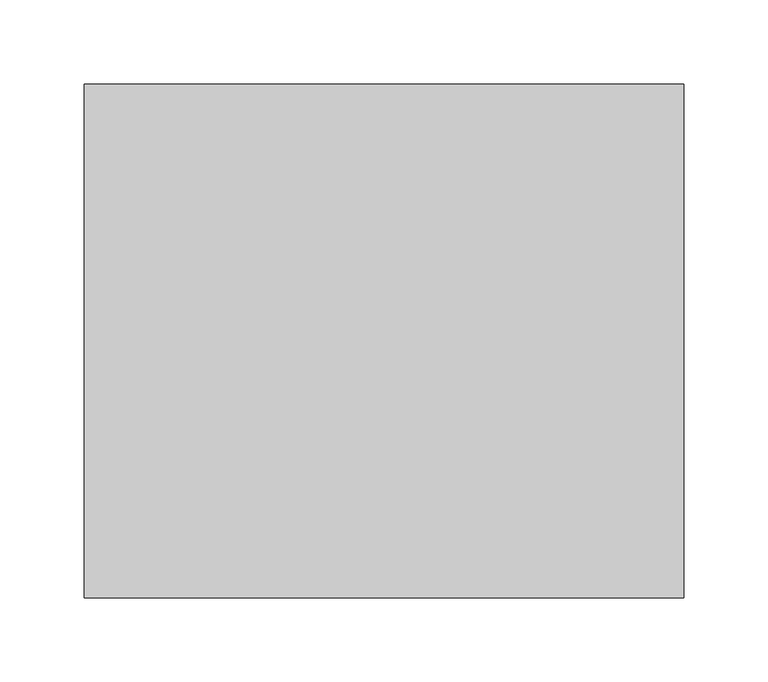
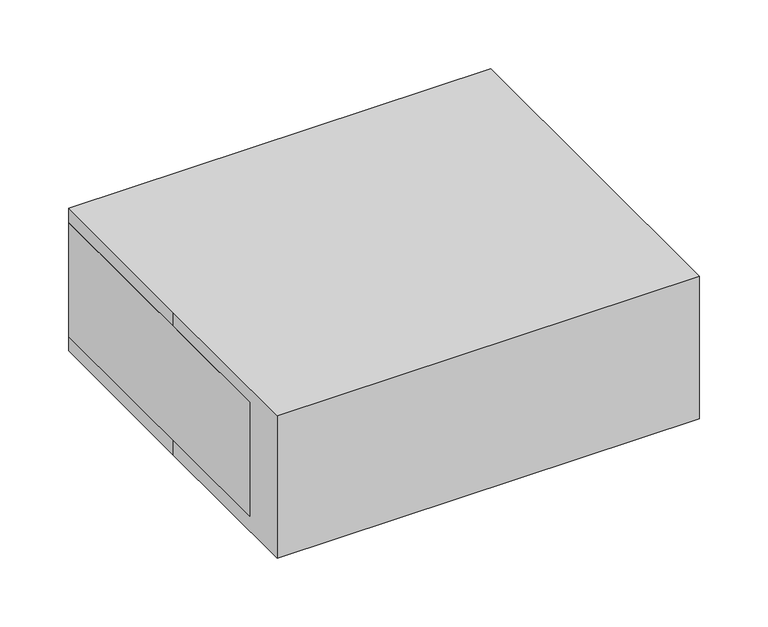
"""IFC4 building model written with IfcOpenShell, lengths in millimetres: proxy geometry."""

import ifcopenshell
import ifcopenshell.guid

model = None  # the IFC model being written
_history = None  # IfcOwnerHistory: only IFC2X3 demands one
_inside = {}  # id of a spatial element -> (the spatial element, [elements in it])
_under = {}  # id of a project, library or spatial element -> (it, [spatial elements below it])
_declared = {}  # id of a project -> (the project, [libraries it declares])
_typed = {}  # id of a type object -> (the type object, [elements of that type])
_made_of = {}  # id of a material, layer set ... -> (it, [elements and type objects made of it])


def new_model(schema):
    """Start an empty IFC model of exactly this schema.

    Asked for "IFC4X3", IfcOpenShell would pick the latest addendum, in which some entities
    have other attributes; the version numbers below select the first issue.
    IFC2X3 requires an IfcOwnerHistory on every rooted entity: one is made here for all.
    """
    global model, _history
    if schema == "IFC4X3":
        model = ifcopenshell.file(schema_version=(4, 3, 0, 0))
    else:
        model = ifcopenshell.file(schema=schema)
    _inside.clear()
    _under.clear()
    _declared.clear()
    _typed.clear()
    _made_of.clear()
    _history = None
    if model.schema == "IFC2X3":
        org = make("IfcOrganization", Name="unknown")
        user = make(
            "IfcPersonAndOrganization",
            ThePerson=make("IfcPerson", FamilyName="unknown"),
            TheOrganization=org,
        )
        app = make(
            "IfcApplication",
            ApplicationDeveloper=org,
            Version="unknown",
            ApplicationFullName="unknown",
            ApplicationIdentifier="unknown",
        )
        _history = make(
            "IfcOwnerHistory",
            OwningUser=user,
            OwningApplication=app,
            ChangeAction="ADDED",
            CreationDate=0,
        )
    return model


def make(cls, **values):
    """One entity of the class cls with the attributes given. An attribute that is None is left unset."""
    return model.create_entity(
        cls, **{name: value for name, value in values.items() if value is not None}
    )


def rooted(cls, **values):
    """An entity with a GlobalId (a new one), such as an element, a storey or a relation."""
    return make(cls, GlobalId=ifcopenshell.guid.new(), OwnerHistory=_history, **values)


def si_unit(unit_type, name, prefix=None):
    """IfcSIUnit, for example si_unit("LENGTHUNIT", "METRE", prefix="MILLI")."""
    return make("IfcSIUnit", UnitType=unit_type, Prefix=prefix, Name=name)


def assignment(units):
    """IfcUnitAssignment: the units of a project."""
    return None if units is None else make("IfcUnitAssignment", Units=units)


def point(xyz):
    """IfcCartesianPoint."""
    return None if xyz is None else make("IfcCartesianPoint", Coordinates=xyz)


def direction(xyz):
    """IfcDirection."""
    return None if xyz is None else make("IfcDirection", DirectionRatios=xyz)


def frame(location, z_axis=None, x_axis=None):
    """IfcAxis2Placement3D, a coordinate frame: its origin and axes. An axis left out is left unset."""
    return make(
        "IfcAxis2Placement3D",
        Location=point(location),
        Axis=direction(z_axis),
        RefDirection=direction(x_axis),
    )


def frame_2d(location, x_axis=None):
    """IfcAxis2Placement2D, a coordinate frame in the plane: its origin and x axis."""
    return make(
        "IfcAxis2Placement2D", Location=point(location), RefDirection=direction(x_axis)
    )


def origin():
    """The frame at (0, 0, 0) with its axes left unset."""
    return frame((0.0, 0.0, 0.0))


def origin_with_axes():
    """The frame at (0, 0, 0) with the z axis (0, 0, 1) and the x axis (1, 0, 0) written out."""
    return frame((0.0, 0.0, 0.0), z_axis=(0.0, 0.0, 1.0), x_axis=(1.0, 0.0, 0.0))


def place(relative_to, where):
    """IfcLocalPlacement: puts the frame where relative to a parent placement (None: the world)."""
    return make(
        "IfcLocalPlacement", PlacementRelTo=relative_to, RelativePlacement=where
    )


def context(
    kind, dimensions, precision=None, world=None, true_north=None, identifier=None
):
    """IfcGeometricRepresentationContext, for example the 3D "Model" context."""
    return make(
        "IfcGeometricRepresentationContext",
        ContextIdentifier=identifier,
        ContextType=kind,
        CoordinateSpaceDimension=dimensions,
        Precision=precision,
        WorldCoordinateSystem=world,
        TrueNorth=true_north,
    )


def project(units=None, contexts=None):
    """IfcProject with its units and contexts."""
    return rooted(
        "IfcProject",
        Name="project",
        RepresentationContexts=contexts,
        UnitsInContext=assignment(units),
    )


def spatial(cls, under=None, at=None, **own):
    """A site, building, storey or space (cls), placed at a placement, below another one or the project."""
    s = rooted(cls, ObjectPlacement=at, **own)
    if under is not None:
        _under.setdefault(under.id(), (under, []))[1].append(s)
    return s


def polyline(points):
    """IfcPolyline through the points."""
    return make("IfcPolyline", Points=[point(p) for p in points])


def circle_curve(where, radius):
    """IfcCircle in the frame where."""
    return make("IfcCircle", Position=where, Radius=radius)


def trimmed(basis, trim1, trim2, sense, master):
    """IfcTrimmedCurve: the piece of a basis curve between two trims."""
    return make(
        "IfcTrimmedCurve",
        BasisCurve=basis,
        Trim1=trim1,
        Trim2=trim2,
        SenseAgreement=sense,
        MasterRepresentation=master,
    )


def segment(curve, same_sense, transition):
    """IfcCompositeCurveSegment."""
    return make(
        "IfcCompositeCurveSegment",
        Transition=transition,
        SameSense=same_sense,
        ParentCurve=curve,
    )


def composite_curve(segments, self_intersect=None):
    """IfcCompositeCurve: segments joined end to end."""
    return make("IfcCompositeCurve", Segments=segments, SelfIntersect=self_intersect)


def outline(outer, holes=None, kind="AREA"):
    """IfcArbitraryClosedProfileDef: a profile drawn as a closed curve; with holes, ...WithVoids."""
    if holes is None:
        return make("IfcArbitraryClosedProfileDef", ProfileType=kind, OuterCurve=outer)
    return make(
        "IfcArbitraryProfileDefWithVoids",
        ProfileType=kind,
        OuterCurve=outer,
        InnerCurves=holes,
    )


def extrude(swept, where, along, depth):
    """IfcExtrudedAreaSolid: the profile swept, set in the frame where, extruded along a direction by depth."""
    return make(
        "IfcExtrudedAreaSolid",
        SweptArea=swept,
        Position=where,
        ExtrudedDirection=direction(along),
        Depth=depth,
    )


def shape(context_of_items, identifier, shape_type, items):
    """IfcShapeRepresentation: the items that make up one representation, for example the "Body"."""
    return make(
        "IfcShapeRepresentation",
        ContextOfItems=context_of_items,
        RepresentationIdentifier=identifier,
        RepresentationType=shape_type,
        Items=items,
    )


def source(mapping_origin, context_of_items, identifier, shape_type, items):
    """IfcRepresentationMap: a shape defined once, which mapped items show again and again."""
    return make(
        "IfcRepresentationMap",
        MappingOrigin=mapping_origin,
        MappedRepresentation=shape(context_of_items, identifier, shape_type, items),
    )


def transform(
    local_origin,
    x_axis=None,
    y_axis=None,
    z_axis=None,
    scale=None,
    scale2=None,
    scale3=None,
    uniform=True,
):
    """IfcCartesianTransformationOperator3D, or its non-uniform kind. x_axis, y_axis, z_axis: its Axis1, 2, 3."""
    if uniform:
        return make(
            "IfcCartesianTransformationOperator3D",
            Axis1=direction(x_axis),
            Axis2=direction(y_axis),
            LocalOrigin=point(local_origin),
            Scale=scale,
            Axis3=direction(z_axis),
        )
    return make(
        "IfcCartesianTransformationOperator3DnonUniform",
        Axis1=direction(x_axis),
        Axis2=direction(y_axis),
        LocalOrigin=point(local_origin),
        Scale=scale,
        Axis3=direction(z_axis),
        Scale2=scale2,
        Scale3=scale3,
    )


def mapped(mapping_source, mapping_target):
    """IfcMappedItem: shows the shape of a source again, moved by a transform."""
    return make(
        "IfcMappedItem", MappingSource=mapping_source, MappingTarget=mapping_target
    )


def made_of(thing, what):
    """Note that an element or type object is made of a material, layer set ...; save() writes the relation."""
    if what is not None:
        _made_of.setdefault(what.id(), (what, []))[1].append(thing)
    return thing


def element(
    cls,
    number,
    at=None,
    inside=None,
    cuts=None,
    type_object=None,
    material=None,
    context=None,
    identifier="Body",
    shape_type=None,
    held_by="IfcProductDefinitionShape",
    body=None,
    shapes=None,
    **own,
):
    """One element of the class cls, such as IfcWall. Its Tag is "e" and its number.

    at: its placement. inside: the storey or other place that contains it. cuts: it is an
    opening in that element (IfcRelVoidsElement). A single representation is given by context,
    identifier, shape_type and body (its items); several are given by shapes. held_by: the class
    of the entity that holds the representations. save() writes the other relations.
    """
    e = rooted(cls, Tag="e%d" % number, ObjectPlacement=at, **own)
    if body is not None:
        shapes = [shape(context, identifier, shape_type, body)]
    if shapes is not None:
        e.Representation = make(held_by, Representations=shapes)
    if inside is not None:
        _inside.setdefault(inside.id(), (inside, []))[1].append(e)
    if cuts is not None:
        rooted(
            "IfcRelVoidsElement", RelatingBuildingElement=cuts, RelatedOpeningElement=e
        )
    if type_object is not None:
        _typed.setdefault(type_object.id(), (type_object, []))[1].append(e)
    return made_of(e, material)


def aggregate(whole, parts):
    """IfcRelAggregates: a whole, such as a stair, and the parts it consists of."""
    return rooted("IfcRelAggregates", RelatingObject=whole, RelatedObjects=parts)


def save(model, path):
    """Write the relations noted so far, then the file.

    IfcRelAggregates (storeys below a building ...), IfcRelContainedInSpatialStructure (elements
    in a storey), IfcRelDefinesByType, IfcRelAssociatesMaterial and IfcRelDeclares: one each for
    every whole, place, type object, material and project.
    """
    for whole, parts in _under.values():
        aggregate(whole, parts)
    for where, things in _inside.values():
        rooted(
            "IfcRelContainedInSpatialStructure",
            RelatedElements=things,
            RelatingStructure=where,
        )
    for kind, things in _typed.values():
        rooted("IfcRelDefinesByType", RelatedObjects=things, RelatingType=kind)
    for what, things in _made_of.values():
        rooted("IfcRelAssociatesMaterial", RelatedObjects=things, RelatingMaterial=what)
    for by, libraries in _declared.values():
        rooted("IfcRelDeclares", RelatingContext=by, RelatedDefinitions=libraries)
    model.write(path)


def specialty_equipment_4bd9d96e(model_context):
    return source(origin(), model_context, "Body", "SweptSolid", [
        extrude(outline(polyline([(142.2096017, -124.4389004), (97.7596017, -124.4389004), (97.7596017, -111.7389004), (142.2096017, -111.7389004), (142.2096017, -124.4389004)])), frame((0.0, 0.0, 40.6305658), z_axis=(0.0, 0.0, 1.0), x_axis=(1.0, 0.0, 0.0)), (0.0, 0.0, 1.0), 25.4),
        extrude(outline(polyline([(66.0096017, -124.4389004), (21.5596017, -124.4389004), (21.5596017, -111.7389004), (66.0096017, -111.7389004), (66.0096017, -124.4389004)])), frame((0.0, 0.0, 40.6305658), z_axis=(0.0, 0.0, 1.0), x_axis=(1.0, 0.0, 0.0)), (0.0, 0.0, 1.0), 25.4),
        extrude(outline(polyline([(122.6611094, -124.4389004), (52.8111094, -124.4389004), (52.8111094, -111.7389004), (122.6611094, -111.7389004), (122.6611094, -124.4389004)])), frame((0.0, 0.0, 87.4668281), z_axis=(0.0, 0.0, 1.0), x_axis=(1.0, 0.0, 0.0)), (0.0, 0.0, 1.0), 12.7),
        extrude(outline(composite_curve([segment(trimmed(circle_curve(frame_2d((69.3961128, -46.7129229)), 6.35), [point((69.3961128, -53.0629229))], [point((69.3961128, -40.3629229))], False, "CARTESIAN"), True, "CONTINUOUS"), segment(trimmed(circle_curve(frame_2d((69.3961128, -46.7129229)), 6.35), [point((69.3961128, -40.3629229))], [point((69.3961128, -53.0629229))], False, "CARTESIAN"), True, "CONTINUOUS")], self_intersect=False)), frame((0.0, -124.4389004, 0.0), z_axis=(0.0, 1.0, 0.0), x_axis=(0.0, 0.0, 1.0)), (0.0, 0.0, 1.0), 12.7),
        extrude(outline(composite_curve([segment(trimmed(circle_curve(frame_2d((67.9537355, -104.8888066)), 19.05), [point((67.9537355, -123.9388066))], [point((67.9537355, -85.8388066))], False, "CARTESIAN"), True, "CONTINUOUS"), segment(trimmed(circle_curve(frame_2d((67.9537355, -104.8888066)), 19.05), [point((67.9537355, -85.8388066))], [point((67.9537355, -123.9388066))], False, "CARTESIAN"), True, "CONTINUOUS")], self_intersect=False)), frame((0.0, -137.1389004, 0.0), z_axis=(0.0, 1.0, 0.0), x_axis=(0.0, 0.0, 1.0)), (0.0, 0.0, 1.0), 25.4),
        extrude(outline(composite_curve([segment(trimmed(circle_curve(frame_2d((137.9995251, -74.3090998)), 12.7), [point((150.6995251, -74.3090998))], [point((125.2995251, -74.3090998))], False, "CARTESIAN"), True, "CONTINUOUS"), segment(trimmed(circle_curve(frame_2d((137.9995251, -74.3090998)), 12.7), [point((125.2995251, -74.3090998))], [point((150.6995251, -74.3090998))], False, "CARTESIAN"), True, "CONTINUOUS")], self_intersect=False)), origin_with_axes(), (0.0, 0.0, 1.0), 12.7),
        extrude(outline(composite_curve([segment(trimmed(circle_curve(frame_2d((137.9995251, 116.1909002)), 12.7), [point((150.6995251, 116.1909002))], [point((125.2995251, 116.1909002))], False, "CARTESIAN"), True, "CONTINUOUS"), segment(trimmed(circle_curve(frame_2d((137.9995251, 116.1909002)), 12.7), [point((125.2995251, 116.1909002))], [point((150.6995251, 116.1909002))], False, "CARTESIAN"), True, "CONTINUOUS")], self_intersect=False)), origin_with_axes(), (0.0, 0.0, 1.0), 12.7),
        extrude(outline(composite_curve([segment(trimmed(circle_curve(frame_2d((-137.9995251, -74.3090998)), 12.7), [point((-150.6995251, -74.3090998))], [point((-125.2995251, -74.3090998))], False, "CARTESIAN"), True, "CONTINUOUS"), segment(trimmed(circle_curve(frame_2d((-137.9995251, -74.3090998)), 12.7), [point((-125.2995251, -74.3090998))], [point((-150.6995251, -74.3090998))], False, "CARTESIAN"), True, "CONTINUOUS")], self_intersect=False)), origin_with_axes(), (0.0, 0.0, 1.0), 12.7),
        extrude(outline(polyline([(177.8, 152.4), (177.8, -111.7389004), (-177.8, -111.7389004), (-177.8, 152.4), (177.8, 152.4)])), frame((0.0, 0.0, 12.7), z_axis=(0.0, 0.0, 1.0), x_axis=(1.0, 0.0, 0.0)), (0.0, 0.0, 1.0), 101.6),
        extrude(outline(composite_curve([segment(trimmed(circle_curve(frame_2d((-137.9995251, 116.1909002)), 12.7), [point((-150.6995251, 116.1909002))], [point((-125.2995251, 116.1909002))], False, "CARTESIAN"), True, "CONTINUOUS"), segment(trimmed(circle_curve(frame_2d((-137.9995251, 116.1909002)), 12.7), [point((-125.2995251, 116.1909002))], [point((-150.6995251, 116.1909002))], False, "CARTESIAN"), True, "CONTINUOUS")], self_intersect=False)), origin_with_axes(), (0.0, 0.0, 1.0), 12.7),
        extrude(outline(polyline([(-177.8, 152.4), (177.8, 152.4), (177.8, -152.4), (-177.8, -152.4), (-177.8, 0.0), (-177.8, 152.4)])), origin_with_axes(), (0.0, 0.0, 1.0), 127.0),
    ])


if __name__ == "__main__":
    model = new_model("IFC4")
    model_context = context("Model", 3, world=origin())
    ifc_project = project(units=[si_unit("LENGTHUNIT", "METRE", prefix="MILLI")], contexts=[model_context])
    site = spatial("IfcSite", under=ifc_project)
    building = spatial("IfcBuilding", under=site)
    placement = place(None, origin())
    specialty_equipment_shape = specialty_equipment_4bd9d96e(model_context)
    element("IfcBuildingElementProxy", 1, Name="Specialty Equipment", at=placement, inside=building, context=model_context, shape_type="MappedRepresentation", body=[
        mapped(specialty_equipment_shape, transform((0.0, 0.0, 0.0), x_axis=(1.0, 0.0, 0.0), y_axis=(0.0, 1.0, 0.0), z_axis=(0.0, 0.0, 1.0))),
    ])
    save(model, "model.ifc")
